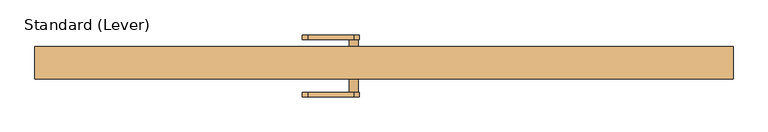
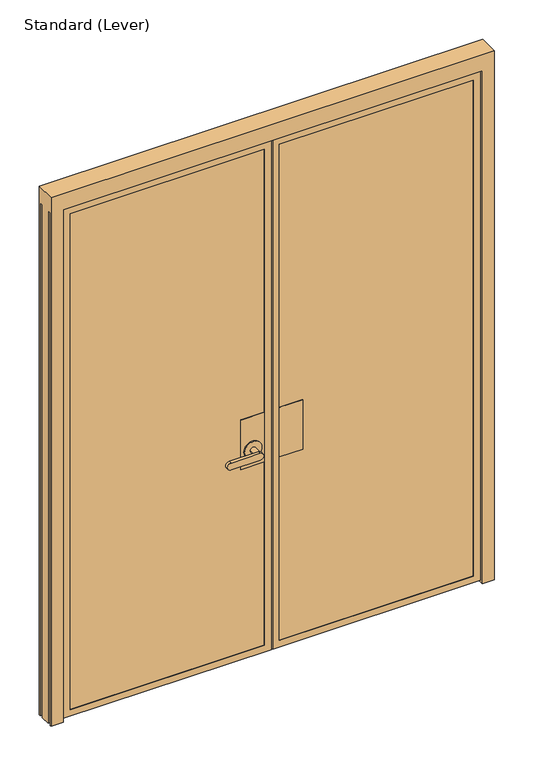
"""IFC4 building model written with IfcOpenShell, lengths in millimetres: door geometry, Standard (Lever)."""

from ifc_helpers import new_model, si_unit, frame, origin, place, context, project, spatial, polyline, circle_curve, outline, extrude, faceted_brep, source, transform, mapped, element, save
from ifc_brep_helpers import plane_surface, cylinder_surface, advanced_brep


def standard_lever_26fe3097(model_context):
    return source(origin(), model_context, "Body", "SolidModel", [
        extrude(outline(polyline([(33.3375, 20.6375), (134.9375, 20.6375), (134.9375, -26.9875), (33.3375, -26.9875), (33.3375, 20.6375)])), frame((0.0, 0.0, 889.0), z_axis=(0.0, 0.0, 1.0), x_axis=(1.0, 0.0, 0.0)), (0.0, 0.0, 1.0), 228.6),
        extrude(outline(polyline([(33.3375, -36.5125), (134.9375, -36.5125), (134.9375, -38.1), (33.3375, -38.1), (33.3375, -36.5125)])), frame((0.0, 0.0, 889.0), z_axis=(0.0, 0.0, 1.0), x_axis=(1.0, 0.0, 0.0)), (0.0, 0.0, 1.0), 228.6),
        advanced_brep(
        [(-33.3375, 20.6375, 1117.6), (-134.9375, 20.6375, 1117.6), (-134.9375, -26.9875, 1117.6), (-33.3375, -26.9875, 1117.6), (-33.3375, 20.6375, 889.0), (-33.3375, -26.9875, 889.0), (-134.9375, -26.9875, 889.0), (-134.9375, 20.6375, 889.0), (-46.0375, 20.6375, 965.2), (-122.2375, 20.6375, 965.2), (-71.4375, 25.4, 965.2), (-96.8375, 25.4, 965.2), (-96.8375, 65.0875, 965.2), (-71.4375, 65.0875, 965.2), (-46.0375, 25.4, 965.2), (-122.2375, 25.4, 965.2), (-84.1375, 65.0875, 949.325), (-84.1375, 65.0875, 981.075), (-211.1375, 65.0875, 981.075), (-211.1375, 65.0875, 949.325), (-84.1375, 77.7875, 949.325), (-211.1375, 77.7875, 949.325), (-211.1375, 77.7875, 981.075), (-84.1375, 77.7875, 981.075)],
        [
            (0, 1),
            (1, 2),
            (2, 3),
            (3, 0),
            (4, 5),
            (5, 6),
            (6, 7),
            (7, 4),
            (3, 5),
            (4, 0),
            (2, 6),
            (1, 7),
            (8, 9, circle_curve(frame((-84.1375, 20.6375, 965.2), z_axis=(0.0, -1.0, 0.0), x_axis=(-1.0, 0.0, 0.0)), 38.1)),
            (9, 8, circle_curve(frame((-84.1375, 20.6375, 965.2), z_axis=(0.0, -1.0, 0.0), x_axis=(-1.0, 0.0, 0.0)), 38.1)),
            (10, 11, circle_curve(frame((-84.1375, 25.4, 965.2), z_axis=(0.0, 1.0, 0.0), x_axis=(-1.0, 0.0, 0.0)), 12.7)),
            (11, 12),
            (12, 13, circle_curve(frame((-84.1375, 65.0875, 965.2), z_axis=(0.0, -1.0, 0.0), x_axis=(-1.0, 0.0, 0.0)), 12.7)),
            (13, 10),
            (13, 12, circle_curve(frame((-84.1375, 65.0875, 965.2), z_axis=(0.0, -1.0, 0.0), x_axis=(-1.0, 0.0, 0.0)), 12.7)),
            (11, 10, circle_curve(frame((-84.1375, 25.4, 965.2), z_axis=(0.0, 1.0, 0.0), x_axis=(-1.0, 0.0, 0.0)), 12.7)),
            (14, 15, circle_curve(frame((-84.1375, 25.4, 965.2), z_axis=(0.0, 1.0, 0.0), x_axis=(-1.0, 0.0, 0.0)), 38.1)),
            (15, 14, circle_curve(frame((-84.1375, 25.4, 965.2), z_axis=(0.0, 1.0, 0.0), x_axis=(-1.0, 0.0, 0.0)), 38.1)),
            (14, 8),
            (9, 15),
            (16, 17, circle_curve(frame((-84.1375, 65.0875, 965.2), z_axis=(0.0, -1.0, 0.0), x_axis=(-1.0, 0.0, 0.0)), 15.875)),
            (17, 18),
            (18, 19, circle_curve(frame((-211.1375, 65.0875, 965.2), z_axis=(0.0, -1.0, 0.0), x_axis=(-1.0, 0.0, 0.0)), 15.875)),
            (19, 16),
            (20, 21),
            (21, 22, circle_curve(frame((-211.1375, 77.7875, 965.2), z_axis=(0.0, 1.0, 0.0), x_axis=(-1.0, 0.0, 0.0)), 15.875)),
            (22, 23),
            (23, 20, circle_curve(frame((-84.1375, 77.7875, 965.2), z_axis=(0.0, 1.0, 0.0), x_axis=(-1.0, 0.0, 0.0)), 15.875)),
            (19, 21),
            (20, 16),
            (18, 22),
            (17, 23),
        ],
        [
            plane_surface(frame((-33.3375, 87.8442978, 1117.6), z_axis=(0.0, 0.0, 1.0), x_axis=(0.0, -1.0, 0.0))),
            plane_surface(frame((-33.3375, 87.8442978, 889.0), z_axis=(0.0, 0.0, -1.0), x_axis=(0.0, 1.0, 0.0))),
            plane_surface(frame((-33.3375, 20.6375, 1117.6), z_axis=(1.0, 0.0, 0.0), x_axis=(0.0, 0.0, -1.0))),
            plane_surface(frame((-33.3375, -26.9875, 1117.6), z_axis=(0.0, -1.0, 0.0), x_axis=(0.0, 0.0, -1.0))),
            plane_surface(frame((-134.9375, -26.9875, 1117.6), z_axis=(-1.0, 0.0, 0.0), x_axis=(0.0, 0.0, -1.0))),
            plane_surface(frame((-134.9375, 20.6375, 1117.6), z_axis=(0.0, 1.0, 0.0), x_axis=(0.0, 0.0, -1.0))),
            cylinder_surface(frame((-84.1375, 65.0875, 965.2), z_axis=(0.0, -1.0, 0.0), x_axis=(-1.0, 0.0, 0.0)), 12.7),
            plane_surface(frame((-122.2375, 25.4, 965.2), z_axis=(0.0, 1.0, 0.0), x_axis=(0.0, 0.0, -1.0))),
            cylinder_surface(frame((-84.1375, 25.4, 965.2), z_axis=(0.0, -1.0, 0.0), x_axis=(-1.0, 0.0, 0.0)), 38.1),
            plane_surface(frame((-84.1375, 65.0875, 949.325), z_axis=(0.0, -1.0, 0.0), x_axis=(-1.0, 0.0, 0.0))),
            plane_surface(frame((-84.1375, 77.7875, 949.325), z_axis=(0.0, 1.0, 0.0), x_axis=(1.0, 0.0, 0.0))),
            plane_surface(frame((-84.1375, 65.0875, 949.325), z_axis=(0.0, 0.0, -1.0), x_axis=(0.0, 1.0, 0.0))),
            cylinder_surface(frame((-211.1375, 77.7875, 965.2), z_axis=(0.0, -1.0, 0.0), x_axis=(-1.0, 0.0, 0.0)), 15.875),
            plane_surface(frame((-211.1375, 65.0875, 981.075), z_axis=(0.0, 0.0, 1.0), x_axis=(0.0, 1.0, 0.0))),
            cylinder_surface(frame((-84.1375, 77.7875, 965.2), z_axis=(0.0, -1.0, 0.0), x_axis=(-1.0, 0.0, 0.0)), 15.875),
        ],
        [
            (0, [[1, 2, 3, 4]]),
            (1, [[5, 6, 7, 8]]),
            (2, [[9, -5, 10, -4]]),
            (3, [[11, -6, -9, -3]]),
            (4, [[12, -7, -11, -2]]),
            (5, [[-10, -8, -12, -1], [13, 14]]),
            (6, [[15, 16, 17, 18]]),
            (6, [[19, -16, 20, -18]]),
            (7, [[21, 22], [-20, -15]]),
            (8, [[23, -14, 24, -21]]),
            (8, [[-24, -13, -23, -22]]),
            (9, [[25, 26, 27, 28], [-19, -17]]),
            (10, [[29, 30, 31, 32]]),
            (11, [[33, -29, 34, -28]]),
            (12, [[35, -30, -33, -27]]),
            (13, [[36, -31, -35, -26]]),
            (14, [[-34, -32, -36, -25]]),
        ],
    ),
        advanced_brep(
        [(-33.3375, -36.5125, 1117.6), (-134.9375, -36.5125, 1117.6), (-134.9375, -38.1, 1117.6), (-33.3375, -38.1, 1117.6), (-33.3375, -36.5125, 889.0), (-33.3375, -38.1, 889.0), (-134.9375, -38.1, 889.0), (-134.9375, -36.5125, 889.0), (-46.0375, -42.8625, 965.2), (-122.2375, -42.8625, 965.2), (-96.8375, -42.8625, 965.2), (-71.4375, -42.8625, 965.2), (-122.2375, -38.1, 965.2), (-46.0375, -38.1, 965.2), (-71.4375, -82.55, 965.2), (-96.8375, -82.55, 965.2), (-211.1375, -95.25, 949.325), (-84.1375, -95.25, 949.325), (-84.1375, -95.25, 981.075), (-211.1375, -95.25, 981.075), (-211.1375, -82.55, 949.325), (-211.1375, -82.55, 981.075), (-84.1375, -82.55, 981.075), (-84.1375, -82.55, 949.325)],
        [
            (0, 1),
            (1, 2),
            (2, 3),
            (3, 0),
            (4, 5),
            (5, 6),
            (6, 7),
            (7, 4),
            (3, 5),
            (4, 0),
            (1, 7),
            (6, 2),
            (8, 9, circle_curve(frame((-84.1375, -42.8625, 965.2), z_axis=(0.0, -1.0, 0.0), x_axis=(-1.0, 0.0, 0.0)), 38.1)),
            (9, 8, circle_curve(frame((-84.1375, -42.8625, 965.2), z_axis=(0.0, -1.0, 0.0), x_axis=(-1.0, 0.0, 0.0)), 38.1)),
            (10, 11, circle_curve(frame((-84.1375, -42.8625, 965.2), z_axis=(0.0, 1.0, 0.0), x_axis=(-1.0, 0.0, 0.0)), 12.7)),
            (11, 10, circle_curve(frame((-84.1375, -42.8625, 965.2), z_axis=(0.0, 1.0, 0.0), x_axis=(-1.0, 0.0, 0.0)), 12.7)),
            (9, 12),
            (12, 13, circle_curve(frame((-84.1375, -38.1, 965.2), z_axis=(0.0, -1.0, 0.0), x_axis=(-1.0, 0.0, 0.0)), 38.1)),
            (13, 8),
            (13, 12, circle_curve(frame((-84.1375, -38.1, 965.2), z_axis=(0.0, -1.0, 0.0), x_axis=(-1.0, 0.0, 0.0)), 38.1)),
            (14, 15, circle_curve(frame((-84.1375, -82.55, 965.2), z_axis=(0.0, 1.0, 0.0), x_axis=(-1.0, 0.0, 0.0)), 12.7)),
            (15, 10),
            (11, 14),
            (15, 14, circle_curve(frame((-84.1375, -82.55, 965.2), z_axis=(0.0, 1.0, 0.0), x_axis=(-1.0, 0.0, 0.0)), 12.7)),
            (16, 17),
            (17, 18, circle_curve(frame((-84.1375, -95.25, 965.2), z_axis=(0.0, -1.0, 0.0), x_axis=(-1.0, 0.0, 0.0)), 15.875)),
            (18, 19),
            (19, 16, circle_curve(frame((-211.1375, -95.25, 965.2), z_axis=(0.0, -1.0, 0.0), x_axis=(-1.0, 0.0, 0.0)), 15.875)),
            (20, 21, circle_curve(frame((-211.1375, -82.55, 965.2), z_axis=(0.0, 1.0, 0.0), x_axis=(-1.0, 0.0, 0.0)), 15.875)),
            (21, 22),
            (22, 23, circle_curve(frame((-84.1375, -82.55, 965.2), z_axis=(0.0, 1.0, 0.0), x_axis=(-1.0, 0.0, 0.0)), 15.875)),
            (23, 20),
            (19, 21),
            (20, 16),
            (18, 22),
            (17, 23),
        ],
        [
            plane_surface(frame((-33.3375, 87.8442978, 1117.6), z_axis=(0.0, 0.0, 1.0), x_axis=(0.0, -1.0, 0.0))),
            plane_surface(frame((-33.3375, 87.8442978, 889.0), z_axis=(0.0, 0.0, -1.0), x_axis=(0.0, 1.0, 0.0))),
            plane_surface(frame((-33.3375, -36.5125, 1117.6), z_axis=(1.0, 0.0, 0.0), x_axis=(0.0, 0.0, -1.0))),
            plane_surface(frame((-134.9375, -38.1, 1117.6), z_axis=(-1.0, 0.0, 0.0), x_axis=(0.0, 0.0, -1.0))),
            plane_surface(frame((-134.9375, -36.5125, 1117.6), z_axis=(0.0, 1.0, 0.0), x_axis=(0.0, 0.0, -1.0))),
            plane_surface(frame((-122.2375, -42.8625, 965.2), z_axis=(0.0, -1.0, 0.0), x_axis=(0.0, 0.0, 1.0))),
            cylinder_surface(frame((-84.1375, -38.1, 965.2), z_axis=(0.0, -1.0, 0.0), x_axis=(-1.0, 0.0, 0.0)), 38.1),
            cylinder_surface(frame((-84.1375, -39.6875, 965.2), z_axis=(0.0, -1.0, 0.0), x_axis=(-1.0, 0.0, 0.0)), 12.7),
            plane_surface(frame((-227.0125, -95.25, 965.2), z_axis=(0.0, -1.0, 0.0), x_axis=(0.0, 0.0, 1.0))),
            plane_surface(frame((-227.0125, -82.55, 965.2), z_axis=(0.0, 1.0, 0.0), x_axis=(0.0, 0.0, -1.0))),
            cylinder_surface(frame((-211.1375, -82.55, 965.2), z_axis=(0.0, -1.0, 0.0), x_axis=(-1.0, 0.0, 0.0)), 15.875),
            plane_surface(frame((-211.1375, -95.25, 981.075), z_axis=(0.0, 0.0, 1.0), x_axis=(0.0, 1.0, 0.0))),
            cylinder_surface(frame((-84.1375, -82.55, 965.2), z_axis=(0.0, -1.0, 0.0), x_axis=(-1.0, 0.0, 0.0)), 15.875),
            plane_surface(frame((-84.1375, -95.25, 949.325), z_axis=(0.0, 0.0, -1.0), x_axis=(0.0, 1.0, 0.0))),
            plane_surface(frame((-33.3375, -38.1, 1117.6), z_axis=(0.0, -1.0, 0.0), x_axis=(0.0, 0.0, -1.0))),
        ],
        [
            (0, [[1, 2, 3, 4]]),
            (1, [[5, 6, 7, 8]]),
            (2, [[9, -5, 10, -4]]),
            (3, [[11, -7, 12, -2]]),
            (4, [[-10, -8, -11, -1]]),
            (5, [[13, 14], [15, 16]]),
            (6, [[17, 18, 19, -14]]),
            (6, [[-19, 20, -17, -13]]),
            (7, [[21, 22, -16, 23]]),
            (7, [[-15, -22, 24, -23]]),
            (8, [[25, 26, 27, 28]]),
            (9, [[29, 30, 31, 32], [-24, -21]]),
            (10, [[33, -29, 34, -28]]),
            (11, [[35, -30, -33, -27]]),
            (12, [[36, -31, -35, -26]]),
            (13, [[-34, -32, -36, -25]]),
            (14, [[-12, -6, -9, -3], [-20, -18]]),
        ],
    ),
        faceted_brep([(909.6374977, 6.35, 12.7), (909.6374977, 6.35, 2360.6125), (909.6374977, -38.1, 2360.6125), (909.6374977, -38.1, 12.7), (3.175, -38.1, 12.7), (3.175, 6.35, 12.7), (3.175, 6.35, 28.575), (893.7624977, 6.35, 28.575), (893.7624977, 6.35, 2344.7375), (3.175, 6.35, 2344.7375), (3.175, 6.35, 2360.6125), (3.175, -38.1, 2360.6125), (3.175, 20.6375, 2344.7375), (3.175, 20.6375, 28.575), (33.3375, -38.1, 42.8625), (33.3375, -38.1, 2330.45), (879.4749977, -38.1, 2330.45), (879.4749977, -38.1, 42.8625), (879.4749977, -36.5125, 2330.45), (879.4749977, -36.5125, 42.8625), (33.3375, -36.5125, 42.8625), (33.3375, -36.5125, 2330.45), (20.6375, -36.5125, 30.1625), (20.6375, -36.5125, 2343.15), (892.1749977, -36.5125, 2343.15), (892.1749977, -36.5125, 30.1625), (892.1749977, -26.9875, 2343.15), (892.1749977, -26.9875, 30.1625), (20.6375, -26.9875, 30.1625), (20.6375, -26.9875, 2343.15), (33.3375, -26.9875, 42.8625), (33.3375, -26.9875, 2330.45), (879.4749977, -26.9875, 2330.45), (879.4749977, -26.9875, 42.8625), (879.4749977, 20.6375, 2330.45), (879.4749977, 20.6375, 42.8625), (33.3375, 20.6375, 42.8625), (33.3375, 20.6375, 2330.45), (893.7624977, 20.6375, 28.575), (893.7624977, 20.6375, 2344.7375)], [[[0, 1, 2, 3]], [[3, 4, 5, 0]], [[5, 6, 7, 8, 9, 10, 1, 0]], [[4, 11, 10, 9, 12, 13, 6, 5]], [[3, 2, 11, 4], [14, 15, 16, 17]], [[17, 16, 18, 19]], [[19, 20, 14, 17]], [[20, 21, 15, 14]], [[22, 23, 24, 25], [19, 18, 21, 20]], [[25, 24, 26, 27]], [[27, 28, 22, 25]], [[28, 29, 23, 22]], [[27, 26, 29, 28], [30, 31, 32, 33]], [[33, 32, 34, 35]], [[35, 36, 30, 33]], [[36, 37, 31, 30]], [[38, 13, 12, 39], [35, 34, 37, 36]], [[38, 7, 6, 13]], [[39, 8, 7, 38]], [[12, 9, 8, 39]], [[11, 2, 1, 10]], [[21, 18, 16, 15]], [[29, 26, 24, 23]], [[37, 34, 32, 31]]]),
        faceted_brep([(-893.7624977, 20.6375, 28.575), (-893.7624977, 6.35, 28.575), (-893.7624977, 6.35, 2344.7375), (-893.7624977, 20.6375, 2344.7375), (-3.175, 20.6375, 28.575), (-3.175, 6.35, 28.575), (-909.6374977, 6.35, 2360.6125), (-3.175, 6.35, 2360.6125), (-3.175, 6.35, 2344.7375), (-3.175, 6.35, 12.7), (-909.6374977, 6.35, 12.7), (-3.175, -38.1, 2360.6125), (-3.175, -38.1, 12.7), (-3.175, 20.6375, 2344.7375), (-879.4749977, 20.6375, 42.8625), (-33.3375, 20.6375, 42.8625), (-33.3375, 20.6375, 2330.45), (-879.4749977, 20.6375, 2330.45), (-909.6374977, -38.1, 12.7), (-909.6374977, -38.1, 2360.6125), (-879.4749977, -38.1, 2330.45), (-33.3375, -38.1, 2330.45), (-33.3375, -38.1, 42.8625), (-879.4749977, -38.1, 42.8625), (-879.4749977, -26.9875, 2330.45), (-879.4749977, -26.9875, 42.8625), (-33.3375, -26.9875, 42.8625), (-33.3375, -26.9875, 2330.45), (-892.1749977, -36.5125, 2343.15), (-892.1749977, -36.5125, 30.1625), (-892.1749977, -26.9875, 30.1625), (-892.1749977, -26.9875, 2343.15), (-20.6375, -26.9875, 30.1625), (-20.6375, -26.9875, 2343.15), (-20.6375, -36.5125, 30.1625), (-20.6375, -36.5125, 2343.15), (-879.4749977, -36.5125, 42.8625), (-33.3375, -36.5125, 42.8625), (-33.3375, -36.5125, 2330.45), (-879.4749977, -36.5125, 2330.45)], [[[0, 1, 2, 3]], [[0, 4, 5, 1]], [[6, 7, 8, 2, 1, 5, 9, 10]], [[8, 7, 11, 12, 9, 5, 4, 13]], [[13, 4, 0, 3], [14, 15, 16, 17]], [[10, 9, 12, 18]], [[18, 12, 11, 19], [20, 21, 22, 23]], [[24, 25, 14, 17]], [[26, 27, 16, 15]], [[25, 26, 15, 14]], [[28, 29, 30, 31]], [[30, 32, 33, 31], [24, 27, 26, 25]], [[29, 34, 32, 30]], [[28, 35, 34, 29], [36, 37, 38, 39]], [[20, 23, 36, 39]], [[23, 22, 37, 36]], [[6, 10, 18, 19]], [[34, 35, 33, 32]], [[22, 21, 38, 37]], [[13, 3, 2, 8]], [[19, 11, 7, 6]], [[17, 16, 27, 24]], [[31, 33, 35, 28]], [[39, 38, 21, 20]]]),
        extrude(outline(polyline([(20.6375, -26.9875), (892.1749977, -26.9875), (892.1749977, -36.5125), (20.6375, -36.5125), (20.6375, -26.9875)])), frame((0.0, 0.0, 30.1625), z_axis=(0.0, 0.0, 1.0), x_axis=(1.0, 0.0, 0.0)), (0.0, 0.0, 1.0), 2312.9875),
        extrude(outline(polyline([(-20.6375, -36.5125), (-892.1749977, -36.5125), (-892.1749977, -26.9875), (-20.6375, -26.9875), (-20.6375, -36.5125)])), frame((0.0, 0.0, 30.1625), z_axis=(0.0, 0.0, 1.0), x_axis=(1.0, 0.0, 0.0)), (0.0, 0.0, 1.0), 2312.9875),
        faceted_brep([(914.3999977, 44.45, 0.0), (966.7875, 44.45, 0.0), (966.7875, 38.1499897, 0.0), (960.3132531, 38.1499897, 0.0), (959.5195031, 38.9437397, 0.0), (960.8874778, 38.9437397, 0.0), (960.8874778, 40.9498819, 0.0), (955.8874831, 40.9498819, 0.0), (955.8874831, 38.9437466, 0.0), (957.2555003, 38.9437466, 0.0), (956.4617503, 38.1499966, 0.0), (935.0375, 38.1499966, 0.0), (935.0375, 21.7499959, 0.0), (956.4617434, 21.7499959, 0.0), (957.2554934, 20.9562459, 0.0), (955.8875186, 20.9562459, 0.0), (955.8875186, 18.949936, 0.0), (960.8875134, 18.949936, 0.0), (960.8875134, 20.956249, 0.0), (959.5195062, 20.956249, 0.0), (960.3132562, 21.749999, 0.0), (966.7875, 21.749999, 0.0), (966.7875, -21.749999, 0.0), (960.3132562, -21.749999, 0.0), (959.5195062, -20.956249, 0.0), (960.8875134, -20.956249, 0.0), (960.8875134, -18.949936, 0.0), (955.8875186, -18.949936, 0.0), (955.8875186, -20.9562459, 0.0), (957.2554934, -20.9562459, 0.0), (956.4617434, -21.7499959, 0.0), (935.0375, -21.7499959, 0.0), (935.0375, -38.1499966, 0.0), (956.4617503, -38.1499966, 0.0), (957.2555003, -38.9437466, 0.0), (955.8874831, -38.9437466, 0.0), (955.8874831, -40.9498819, 0.0), (960.8874778, -40.9498819, 0.0), (960.8874778, -38.9437397, 0.0), (959.5195031, -38.9437397, 0.0), (960.3132531, -38.1499897, 0.0), (966.7874977, -38.1499897, 0.0), (966.7874977, -44.45, 0.0), (914.3999977, -44.45, 0.0), (914.3999977, 9.525, 0.0), (900.1124977, 9.525, 0.0), (900.1124977, 20.6375, 0.0), (914.3999977, 20.6375, 0.0), (966.7875, 44.45, 2438.4), (966.7875, -44.45, 2438.4), (966.7875, -38.1499897, 2365.375), (966.7875, -21.749999, 2365.375), (966.7875, 21.749999, 2365.375), (966.7875, 38.1499897, 2365.375), (960.3132531, 38.1499897, 2365.375), (960.3132562, 21.749999, 2365.375), (960.3132562, -21.749999, 2365.375), (960.3132531, -38.1499897, 2365.375), (-966.7875, -44.45, 2438.4), (-966.7874977, -44.45, 0.0), (-914.3999977, -44.45, 0.0), (-914.3999977, -44.45, 2365.375), (914.3999977, -44.45, 2365.375), (914.3999977, 44.45, 2365.375), (-914.3999977, 44.45, 2365.375), (-914.3999977, 44.45, 0.0), (-966.7875, 44.45, 0.0), (-966.7875, 44.45, 2438.4), (-914.3999977, 20.6375, 0.0), (-900.1124977, 20.6375, 0.0), (-900.1124977, 9.525, 0.0), (-914.3999977, 9.525, 0.0), (-966.7874977, -38.1499897, 0.0), (-960.3132531, -38.1499897, 0.0), (-959.5195031, -38.9437397, 0.0), (-960.8874778, -38.9437397, 0.0), (-960.8874778, -40.9498819, 0.0), (-955.8874831, -40.9498819, 0.0), (-955.8874831, -38.9437466, 0.0), (-957.2555003, -38.9437466, 0.0), (-956.4617503, -38.1499966, 0.0), (-935.0375, -38.1499966, 0.0), (-935.0375, -21.7499959, 0.0), (-956.4617434, -21.7499959, 0.0), (-957.2554934, -20.9562459, 0.0), (-955.8875186, -20.9562459, 0.0), (-955.8875186, -18.949936, 0.0), (-960.8875134, -18.949936, 0.0), (-960.8875134, -20.956249, 0.0), (-959.5195062, -20.956249, 0.0), (-960.3132562, -21.749999, 0.0), (-966.7875, -21.749999, 0.0), (-966.7875, 21.749999, 0.0), (-960.3132562, 21.749999, 0.0), (-959.5195062, 20.956249, 0.0), (-960.8875134, 20.956249, 0.0), (-960.8875134, 18.949936, 0.0), (-955.8875186, 18.949936, 0.0), (-955.8875186, 20.9562459, 0.0), (-957.2554934, 20.9562459, 0.0), (-956.4617434, 21.7499959, 0.0), (-935.0375, 21.7499959, 0.0), (-935.0375, 38.1499966, 0.0), (-956.4617503, 38.1499966, 0.0), (-957.2555003, 38.9437466, 0.0), (-955.8874831, 38.9437466, 0.0), (-955.8874831, 40.9498819, 0.0), (-960.8874778, 40.9498819, 0.0), (-960.8874778, 38.9437397, 0.0), (-959.5195031, 38.9437397, 0.0), (-960.3132531, 38.1499897, 0.0), (-966.7875, 38.1499897, 0.0), (-966.7875, 38.1499897, 2365.375), (-966.7875, 21.749999, 2365.375), (-966.7875, -21.749999, 2365.375), (-966.7875, -38.1499897, 2365.375), (-960.3132531, -38.1499897, 2365.375), (-960.3132562, -21.749999, 2365.375), (-960.3132562, 21.749999, 2365.375), (-960.3132531, 38.1499897, 2365.375), (-914.3999977, 20.6375, 2365.375), (914.3999977, 20.6375, 2365.375), (914.3999977, 9.525, 2365.375), (-914.3999977, 9.525, 2365.375), (900.1124977, 20.6375, 2351.0875), (-900.1124977, 20.6375, 2351.0875), (-960.8875134, 20.6375, 2351.0875), (-960.8875134, 20.6375, 2365.375), (-955.8875186, 20.6375, 2365.375), (-955.8875186, 20.6375, 2351.0875), (955.8875186, 20.6375, 2351.0875), (955.8875186, 20.6375, 2365.375), (960.8875134, 20.6375, 2365.375), (960.8875134, 20.6375, 2351.0875), (-900.1124977, 9.525, 2351.0875), (900.1124977, 9.525, 2351.0875), (-959.5195031, 38.9437397, 2365.375), (-960.8874778, 38.9437397, 2365.375), (-960.8874778, 40.9498819, 2365.375), (-955.8874831, 40.9498819, 2365.375), (-955.8874831, 38.9437466, 2365.375), (-957.2555003, 38.9437466, 2365.375), (-956.4617503, 38.1499966, 2365.375), (-935.0375, 38.1499966, 2365.375), (-935.0375, 21.7499959, 2365.375), (-956.4617434, 21.7499959, 2365.375), (-957.2554934, 20.9562459, 2365.375), (-955.8875186, 20.9562459, 2365.375), (-955.8875186, 18.949936, 2351.0875), (-960.8875134, 18.949936, 2351.0875), (-960.8875134, 20.956249, 2365.375), (-959.5195062, 20.956249, 2365.375), (-959.5195062, -20.956249, 2365.375), (-960.8875134, -20.956249, 2365.375), (-960.8875134, -18.949936, 2365.375), (-955.8875186, -18.949936, 2365.375), (-955.8875186, -20.9562459, 2365.375), (-957.2554934, -20.9562459, 2365.375), (-956.4617434, -21.7499959, 2365.375), (-935.0375, -21.7499959, 2365.375), (-935.0375, -38.1499966, 2365.375), (-956.4617503, -38.1499966, 2365.375), (-957.2555003, -38.9437466, 2365.375), (-955.8874831, -38.9437466, 2365.375), (-955.8874831, -40.9498819, 2365.375), (-960.8874778, -40.9498819, 2365.375), (-960.8874778, -38.9437397, 2365.375), (-959.5195031, -38.9437397, 2365.375), (959.5195031, -38.9437397, 2365.375), (960.8874778, -38.9437397, 2365.375), (960.8874778, -40.9498819, 2365.375), (955.8874831, -40.9498819, 2365.375), (955.8874831, -38.9437466, 2365.375), (957.2555003, -38.9437466, 2365.375), (956.4617503, -38.1499966, 2365.375), (935.0375, -38.1499966, 2365.375), (935.0375, -21.7499959, 2365.375), (956.4617434, -21.7499959, 2365.375), (957.2554934, -20.9562459, 2365.375), (955.8875186, -20.9562459, 2365.375), (955.8875186, -18.949936, 2365.375), (960.8875134, -18.949936, 2365.375), (960.8875134, -20.956249, 2365.375), (959.5195062, -20.956249, 2365.375), (959.5195062, 20.956249, 2365.375), (960.8875134, 20.956249, 2365.375), (960.8875134, 18.949936, 2351.0875), (955.8875186, 18.949936, 2351.0875), (955.8875186, 20.9562459, 2365.375), (957.2554934, 20.9562459, 2365.375), (956.4617434, 21.7499959, 2365.375), (935.0375, 21.7499959, 2365.375), (935.0375, 38.1499966, 2365.375), (956.4617503, 38.1499966, 2365.375), (957.2555003, 38.9437466, 2365.375), (955.8874831, 38.9437466, 2365.375), (955.8874831, 40.9498819, 2365.375), (960.8874778, 40.9498819, 2365.375), (960.8874778, 38.9437397, 2365.375), (959.5195031, 38.9437397, 2365.375)], [[[0, 1, 2, 3, 4, 5, 6, 7, 8, 9, 10, 11, 12, 13, 14, 15, 16, 17, 18, 19, 20, 21, 22, 23, 24, 25, 26, 27, 28, 29, 30, 31, 32, 33, 34, 35, 36, 37, 38, 39, 40, 41, 42, 43, 44, 45, 46, 47]], [[1, 48, 49, 42, 41, 50, 51, 22, 21, 52, 53, 2]], [[2, 53, 54, 3]], [[20, 55, 52, 21]], [[22, 51, 56, 23]], [[40, 57, 50, 41]], [[49, 58, 59, 60, 61, 62, 43, 42]], [[1, 0, 63, 64, 65, 66, 67, 48]], [[65, 68, 69, 70, 71, 60, 59, 72, 73, 74, 75, 76, 77, 78, 79, 80, 81, 82, 83, 84, 85, 86, 87, 88, 89, 90, 91, 92, 93, 94, 95, 96, 97, 98, 99, 100, 101, 102, 103, 104, 105, 106, 107, 108, 109, 110, 111, 66]], [[111, 112, 113, 92, 91, 114, 115, 72, 59, 58, 67, 66]], [[72, 115, 116, 73]], [[90, 117, 114, 91]], [[92, 113, 118, 93]], [[110, 119, 112, 111]], [[65, 64, 120, 68]], [[121, 63, 0, 47]], [[43, 62, 122, 44]], [[71, 123, 61, 60]], [[68, 120, 121, 47, 46, 124, 125, 69]], [[126, 127, 128, 129]], [[130, 131, 132, 133]], [[69, 125, 134, 70]], [[45, 135, 124, 46]], [[70, 134, 135, 45, 44, 122, 123, 71]], [[109, 136, 119, 110]], [[108, 137, 136, 109]], [[107, 138, 137, 108]], [[106, 139, 138, 107]], [[105, 140, 139, 106]], [[104, 141, 140, 105]], [[103, 142, 141, 104]], [[102, 143, 142, 103]], [[101, 144, 143, 102]], [[100, 145, 144, 101]], [[99, 146, 145, 100]], [[98, 147, 146, 99]], [[97, 148, 129, 128, 147, 98]], [[96, 149, 148, 97]], [[95, 150, 127, 126, 149, 96]], [[94, 151, 150, 95]], [[93, 118, 151, 94]], [[89, 152, 117, 90]], [[88, 153, 152, 89]], [[87, 154, 153, 88]], [[86, 155, 154, 87]], [[85, 156, 155, 86]], [[84, 157, 156, 85]], [[83, 158, 157, 84]], [[82, 159, 158, 83]], [[81, 160, 159, 82]], [[80, 161, 160, 81]], [[79, 162, 161, 80]], [[78, 163, 162, 79]], [[77, 164, 163, 78]], [[76, 165, 164, 77]], [[75, 166, 165, 76]], [[74, 167, 166, 75]], [[73, 116, 167, 74]], [[39, 168, 57, 40]], [[38, 169, 168, 39]], [[37, 170, 169, 38]], [[36, 171, 170, 37]], [[35, 172, 171, 36]], [[34, 173, 172, 35]], [[33, 174, 173, 34]], [[32, 175, 174, 33]], [[31, 176, 175, 32]], [[30, 177, 176, 31]], [[29, 178, 177, 30]], [[28, 179, 178, 29]], [[27, 180, 179, 28]], [[26, 181, 180, 27]], [[25, 182, 181, 26]], [[24, 183, 182, 25]], [[23, 56, 183, 24]], [[19, 184, 55, 20]], [[18, 185, 184, 19]], [[17, 186, 133, 132, 185, 18]], [[16, 187, 186, 17]], [[15, 188, 131, 130, 187, 16]], [[14, 189, 188, 15]], [[13, 190, 189, 14]], [[12, 191, 190, 13]], [[11, 192, 191, 12]], [[10, 193, 192, 11]], [[9, 194, 193, 10]], [[8, 195, 194, 9]], [[7, 196, 195, 8]], [[6, 197, 196, 7]], [[5, 198, 197, 6]], [[4, 199, 198, 5]], [[3, 54, 199, 4]], [[64, 63, 121, 120]], [[112, 119, 136, 137, 138, 139, 140, 141, 142, 143, 144, 145, 146, 147, 128, 127, 150, 151, 118, 113]], [[52, 55, 184, 185, 132, 131, 188, 189, 190, 191, 192, 193, 194, 195, 196, 197, 198, 199, 54, 53]], [[114, 117, 152, 153, 154, 155, 156, 157, 158, 159, 160, 161, 162, 163, 164, 165, 166, 167, 116, 115]], [[50, 57, 168, 169, 170, 171, 172, 173, 174, 175, 176, 177, 178, 179, 180, 181, 182, 183, 56, 51]], [[122, 62, 61, 123]], [[49, 48, 67, 58]], [[125, 124, 135, 134]], [[129, 148, 149, 126]], [[133, 186, 187, 130]]]),
    ])


if __name__ == "__main__":
    model = new_model("IFC4")
    model_context = context("Model", 3, world=origin())
    ifc_project = project(units=[si_unit("LENGTHUNIT", "METRE", prefix="MILLI")], contexts=[model_context])
    site = spatial("IfcSite", under=ifc_project)
    building = spatial("IfcBuilding", under=site)
    placement = place(None, origin())
    standard_lever_shape = standard_lever_26fe3097(model_context)
    element("IfcDoor", 1, ObjectType="Standard (Lever)", at=placement, inside=building, context=model_context, shape_type="MappedRepresentation", body=[
        mapped(standard_lever_shape, transform((0.0, 0.0, 0.0), x_axis=(1.0, 0.0, 0.0), y_axis=(0.0, 1.0, 0.0), z_axis=(0.0, 0.0, 1.0))),
    ])
    save(model, "model.ifc")
